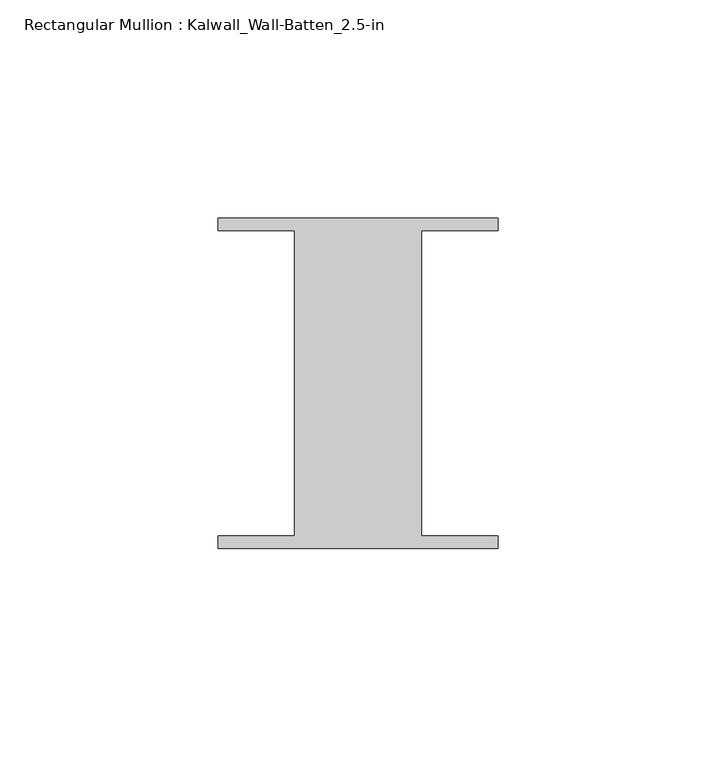
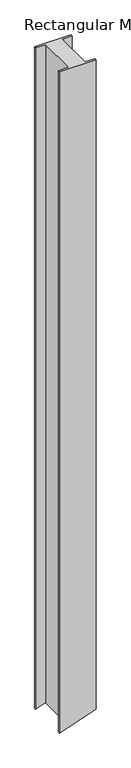
"""IFC4 building model written with IfcOpenShell, lengths in millimetres: member geometry, Rectangular Mullion : Kalwall_Wall-Batten_2.5-in."""

from ifc_helpers import new_model, si_unit, origin, place, context, project, spatial, faceted_brep, source, transform, mapped, element, save


def rectangular_mullion_kalwall_wall_batten_2_5_in_6886ff0e(model_context):
    return source(origin(), model_context, "Body", "Brep", [
        faceted_brep([(-32.0, 36.524, 0.0), (-32.0, 33.73, 0.0), (-14.5, 33.73, 0.0), (-14.5, -36.27, 0.0), (-32.0, -36.27, 0.0), (-32.0, -39.064, 0.0), (32.0, -39.064, 0.0), (32.0, -36.27, 0.0), (14.5, -36.27, 0.0), (14.5, 33.73, 0.0), (32.0, 33.73, 0.0), (32.0, 36.524, 0.0), (-32.0, 36.524, -1227.3591915), (-32.0, 33.73, -1227.3591915), (-16.1437442, 33.73, -1222.0447321), (-14.5, 33.73, -1221.4938069), (-14.5, -36.27, -1221.4938069), (-16.1437442, -36.27, -1222.0447321), (-32.0, -36.27, -1227.3591915), (-32.0, -39.064, -1227.3591915), (-16.1437442, -39.064, -1222.0447321), (32.0, -39.064, -1205.908642), (32.0, -36.27, -1205.908642), (14.5, -36.27, -1211.7740266), (14.5, 33.73, -1211.7740266), (32.0, 33.73, -1205.908642), (32.0, 36.524, -1205.908642), (-16.1437442, 36.524, -1222.0447321)], [[[0, 1, 2, 3, 4, 5, 6, 7, 8, 9, 10, 11]], [[1, 0, 12, 13]], [[2, 1, 13, 14, 15]], [[3, 2, 15, 16]], [[4, 3, 16, 17, 18]], [[5, 4, 18, 19]], [[6, 5, 19, 20, 21]], [[7, 6, 21, 22]], [[8, 7, 22, 23]], [[9, 8, 23, 24]], [[10, 9, 24, 25]], [[11, 10, 25, 26]], [[0, 11, 26, 27, 12]], [[20, 19, 18, 17]], [[27, 26, 25, 24, 23, 22, 21, 20, 17, 16, 15, 14]], [[12, 27, 14, 13]]]),
    ])


if __name__ == "__main__":
    model = new_model("IFC4")
    model_context = context("Model", 3, world=origin())
    ifc_project = project(units=[si_unit("LENGTHUNIT", "METRE", prefix="MILLI")], contexts=[model_context])
    site = spatial("IfcSite", under=ifc_project)
    building = spatial("IfcBuilding", under=site)
    placement = place(None, origin())
    rectangular_mullion_kalwall_wall_batten_2_5_in_shape = rectangular_mullion_kalwall_wall_batten_2_5_in_6886ff0e(model_context)
    element("IfcMember", 1, ObjectType="Rectangular Mullion : Kalwall_Wall-Batten_2.5-in", at=placement, inside=building, context=model_context, shape_type="MappedRepresentation", body=[
        mapped(rectangular_mullion_kalwall_wall_batten_2_5_in_shape, transform((0.0, 0.0, 0.0), x_axis=(1.0, 0.0, 0.0), y_axis=(0.0, 1.0, 0.0), z_axis=(0.0, 0.0, 1.0))),
    ])
    save(model, "model.ifc")
